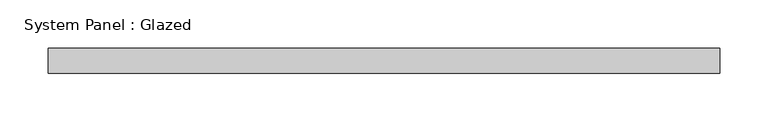
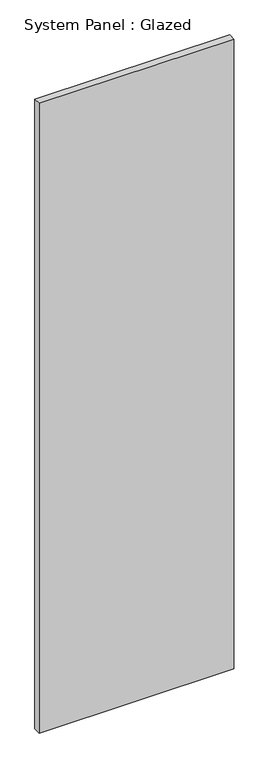
"""IFC4 building model written with IfcOpenShell, lengths in millimetres: plate geometry, System Panel : Glazed."""

from ifc_helpers import new_model, si_unit, origin, origin_with_axes, place, context, project, spatial, polyline, outline, extrude, source, transform, mapped, element, save


def system_panel_glazed_0cfb76c0(model_context):
    return source(origin(), model_context, "Body", "SweptSolid", [
        extrude(outline(polyline([(346.4568298, -12.7), (-346.4568298, -12.7), (-346.4568298, 12.7), (346.4568298, 12.7), (346.4568298, -12.7)])), origin_with_axes(), (0.0, 0.0, 1.0), 2368.55),
    ])


if __name__ == "__main__":
    model = new_model("IFC4")
    model_context = context("Model", 3, world=origin())
    ifc_project = project(units=[si_unit("LENGTHUNIT", "METRE", prefix="MILLI")], contexts=[model_context])
    site = spatial("IfcSite", under=ifc_project)
    building = spatial("IfcBuilding", under=site)
    placement = place(None, origin())
    system_panel_glazed_shape = system_panel_glazed_0cfb76c0(model_context)
    element("IfcPlate", 1, ObjectType="System Panel : Glazed", at=placement, inside=building, context=model_context, shape_type="MappedRepresentation", body=[
        mapped(system_panel_glazed_shape, transform((0.0, 0.0, 0.0), x_axis=(1.0, 0.0, 0.0), y_axis=(0.0, 1.0, 0.0), z_axis=(0.0, 0.0, 1.0))),
    ])
    save(model, "model.ifc")
